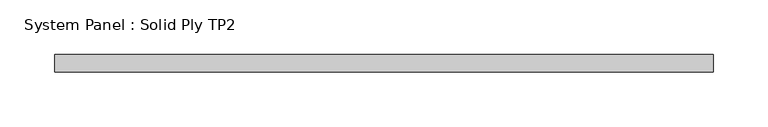
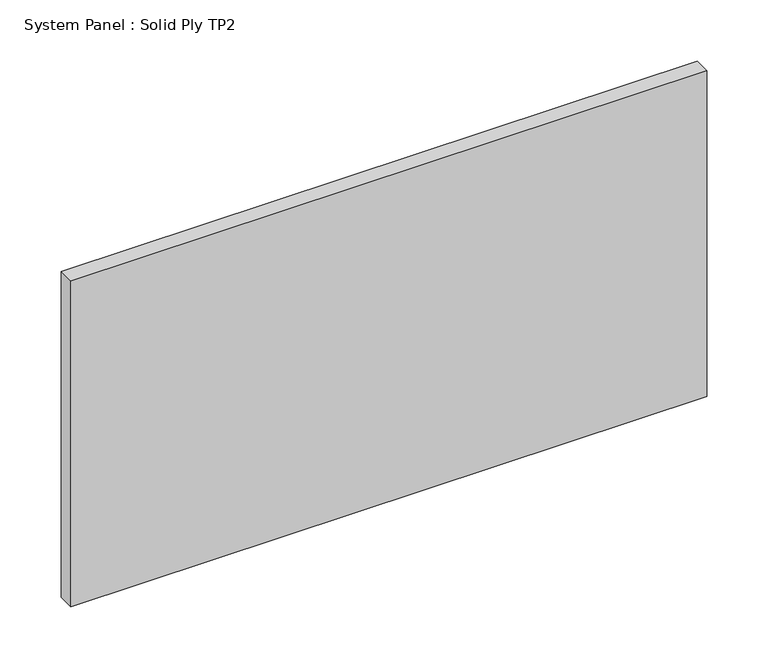
"""IFC4 building model written with IfcOpenShell, lengths in millimetres: plate geometry, System Panel : Solid Ply TP2."""

from ifc_helpers import new_model, si_unit, origin, origin_with_axes, place, context, project, spatial, polyline, outline, extrude, source, transform, mapped, element, save


def system_panel_solid_ply_tp2_b915b0fb(model_context):
    return source(origin(), model_context, "Body", "SweptSolid", [
        extrude(outline(polyline([(299.99972, -23.0), (-299.99972, -23.0), (-299.99972, -7.0), (299.99972, -7.0), (299.99972, -23.0)])), origin_with_axes(), (0.0, 0.0, 1.0), 325.0),
    ])


if __name__ == "__main__":
    model = new_model("IFC4")
    model_context = context("Model", 3, world=origin())
    ifc_project = project(units=[si_unit("LENGTHUNIT", "METRE", prefix="MILLI")], contexts=[model_context])
    site = spatial("IfcSite", under=ifc_project)
    building = spatial("IfcBuilding", under=site)
    placement = place(None, origin())
    system_panel_solid_ply_tp2_shape = system_panel_solid_ply_tp2_b915b0fb(model_context)
    element("IfcPlate", 1, ObjectType="System Panel : Solid Ply TP2", at=placement, inside=building, context=model_context, shape_type="MappedRepresentation", body=[
        mapped(system_panel_solid_ply_tp2_shape, transform((0.0, 0.0, 0.0), x_axis=(1.0, 0.0, 0.0), y_axis=(0.0, 1.0, 0.0), z_axis=(0.0, 0.0, 1.0))),
    ])
    save(model, "model.ifc")
